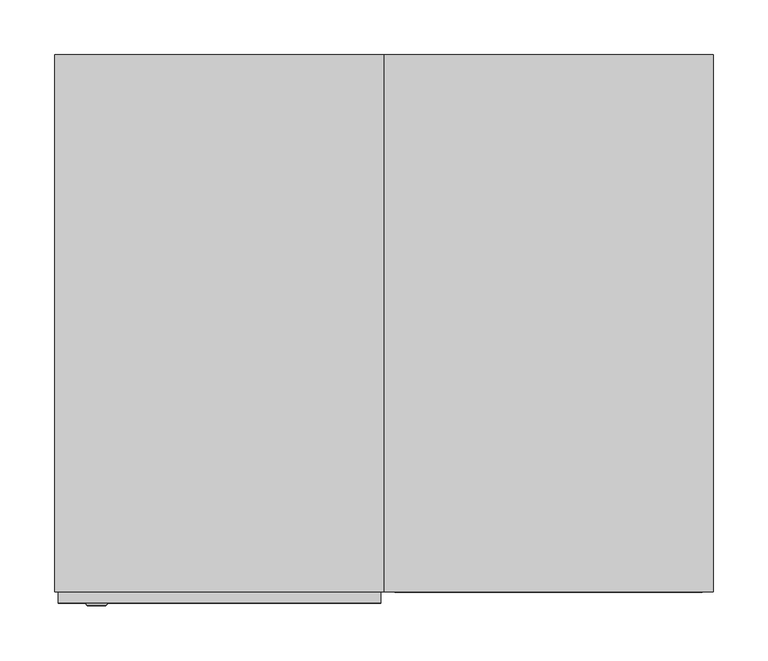
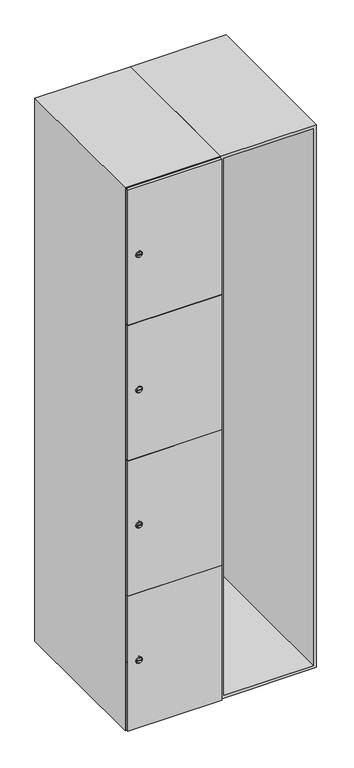
"""IFC4 building model written with IfcOpenShell, lengths in millimetres: furniture geometry."""

from ifc_helpers import new_model, si_unit, point, frame, frame_2d, origin, place, context, project, spatial, polyline, circle_curve, trimmed, segment, composite_curve, outline, extrude, faceted_brep, source, transform, mapped, element, save
from ifc_brep_helpers import plane_surface, revolved_surface, advanced_brep


def furniture_a75e1b9f(model_context):
    return source(origin(), model_context, "Body", "SolidModel", [
        faceted_brep([(400.0, -245.0, 100.0), (400.0, -245.0, 1900.0), (100.0, -245.0, 1900.0), (100.0, -245.0, 100.0), (390.0, -245.0, 1890.0), (390.0, -245.0, 110.0), (110.0, -245.0, 110.0), (110.0, -245.0, 1890.0), (400.0, 245.0, 100.0), (100.0, 245.0, 100.0), (400.0, 245.0, 1900.0), (100.0, 245.0, 1900.0), (390.0, 241.0, 1890.0), (390.0, 241.0, 110.0), (100.0, 245.0, 1890.0), (110.0, 241.0, 1890.0), (110.0, 241.0, 110.0)], [[[0, 1, 2, 3], [4, 5, 6, 7]], [[8, 0, 3, 9]], [[1, 0, 8, 10]], [[1, 10, 11, 2]], [[4, 12, 13, 5]], [[9, 3, 2, 11, 14]], [[10, 8, 9, 14, 11]], [[12, 15, 16, 13]], [[15, 7, 6, 16]], [[4, 7, 15, 12]], [[6, 5, 13, 16]]]),
        extrude(outline(composite_curve([segment(trimmed(circle_curve(frame_2d((327.25, -188.7989466)), 7.0), [point((334.25, -188.7989466))], [point((320.25, -188.7989466))], False, "CARTESIAN"), True, "CONTINUOUS"), segment(polyline([(320.25, -188.7989466), (320.25, -160.7989466)]), True, "CONTINUOUS"), segment(trimmed(circle_curve(frame_2d((327.25, -160.7989466)), 7.0), [point((320.25, -160.7989466))], [point((334.25, -160.7989466))], False, "CARTESIAN"), True, "CONTINUOUS"), segment(polyline([(334.25, -160.7989466), (334.25, -188.7989466)]), True, "CONTINUOUS")], self_intersect=False)), frame((0.0, -245.0, 0.0), z_axis=(0.0, 1.0, 0.0), x_axis=(0.0, 0.0, 1.0)), (0.0, 0.0, 1.0), 2.0),
        advanced_brep(
        [(-153.5, -257.2, 327.25), (-170.5, -257.2, 327.25), (-167.0, -257.2, 326.0), (-167.0, -257.2, 328.5), (-157.0, -257.2, 328.5), (-157.0, -257.2, 326.0), (-151.5, -255.0, 327.25), (-172.5, -255.0, 327.25), (-167.0, -255.0, 328.5), (-167.0, -255.0, 326.0), (-157.0, -255.0, 326.0), (-157.0, -255.0, 328.5)],
        [
            (0, 1, circle_curve(frame((-162.0, -257.2, 327.25), z_axis=(0.0, -1.0, 0.0), x_axis=(1.0, 0.0, 0.0)), 8.5)),
            (1, 0, circle_curve(frame((-162.0, -257.2, 327.25), z_axis=(0.0, -1.0, 0.0), x_axis=(-1.0, 0.0, 0.0)), 8.5)),
            (2, 3),
            (3, 4),
            (4, 5),
            (5, 2),
            (6, 7, circle_curve(frame((-162.0, -255.0, 327.25), z_axis=(0.0, 1.0, 0.0), x_axis=(-1.0, 0.0, 0.0)), 10.5)),
            (7, 6, circle_curve(frame((-162.0, -255.0, 327.25), z_axis=(0.0, 1.0, 0.0), x_axis=(1.0, 0.0, 0.0)), 10.5)),
            (8, 9),
            (9, 10),
            (10, 11),
            (11, 8),
            (0, 6),
            (7, 1),
            (8, 3),
            (2, 9),
            (11, 4),
            (10, 5),
        ],
        [
            plane_surface(frame((-162.0, -257.2, 327.25), z_axis=(0.0, -1.0, 0.0), x_axis=(0.0, 0.0, 1.0))),
            plane_surface(frame((-162.0, -255.0, 327.25), z_axis=(0.0, 1.0, 0.0), x_axis=(0.0, 0.0, 1.0))),
            revolved_surface(polyline([(-153.5, -257.2, 327.25), (-151.5, -255.0, 327.25)]), (-162.0, -266.55, 327.25), (0.0, 1.0, 0.0)),
            revolved_surface(polyline([(-170.5, -257.2, 327.25), (-172.5, -255.0, 327.25)]), (-162.0, -266.55, 327.25), (0.0, 1.0, 0.0)),
            plane_surface(frame((-167.0, -255.0, 326.0), z_axis=(1.0, 0.0, 0.0), x_axis=(0.0, -1.0, 0.0))),
            plane_surface(frame((-167.0, -255.0, 328.5), z_axis=(0.0, 0.0, -1.0), x_axis=(0.0, -1.0, 0.0))),
            plane_surface(frame((-157.0, -255.0, 328.5), z_axis=(-1.0, 0.0, 0.0), x_axis=(0.0, -1.0, 0.0))),
            plane_surface(frame((-157.0, -255.0, 326.0), z_axis=(0.0, 0.0, 1.0), x_axis=(0.0, -1.0, 0.0))),
        ],
        [
            (0, [[1, 2], [3, 4, 5, 6]]),
            (1, [[7, 8], [9, 10, 11, 12]]),
            (2, [[-1, 13, -8, 14]]),
            (3, [[-2, -14, -7, -13]]),
            (4, [[15, -3, 16, -9]]),
            (5, [[-15, -12, 17, -4]]),
            (6, [[-17, -11, 18, -5]]),
            (7, [[-16, -6, -18, -10]]),
        ],
    ),
        extrude(outline(composite_curve([segment(trimmed(circle_curve(frame_2d((775.75, -188.7989466)), 7.0), [point((782.75, -188.7989466))], [point((768.75, -188.7989466))], False, "CARTESIAN"), True, "CONTINUOUS"), segment(polyline([(768.75, -188.7989466), (768.75, -160.7989466)]), True, "CONTINUOUS"), segment(trimmed(circle_curve(frame_2d((775.75, -160.7989466)), 7.0), [point((768.75, -160.7989466))], [point((782.75, -160.7989466))], False, "CARTESIAN"), True, "CONTINUOUS"), segment(polyline([(782.75, -160.7989466), (782.75, -188.7989466)]), True, "CONTINUOUS")], self_intersect=False)), frame((0.0, -245.0, 0.0), z_axis=(0.0, 1.0, 0.0), x_axis=(0.0, 0.0, 1.0)), (0.0, 0.0, 1.0), 2.0),
        advanced_brep(
        [(-153.5, -257.2, 775.75), (-170.5, -257.2, 775.75), (-167.0, -257.2, 774.5), (-167.0, -257.2, 777.0), (-157.0, -257.2, 777.0), (-157.0, -257.2, 774.5), (-151.5, -255.0, 775.75), (-172.5, -255.0, 775.75), (-167.0, -255.0, 777.0), (-167.0, -255.0, 774.5), (-157.0, -255.0, 774.5), (-157.0, -255.0, 777.0)],
        [
            (0, 1, circle_curve(frame((-162.0, -257.2, 775.75), z_axis=(0.0, -1.0, 0.0), x_axis=(1.0, 0.0, 0.0)), 8.5)),
            (1, 0, circle_curve(frame((-162.0, -257.2, 775.75), z_axis=(0.0, -1.0, 0.0), x_axis=(-1.0, 0.0, 0.0)), 8.5)),
            (2, 3),
            (3, 4),
            (4, 5),
            (5, 2),
            (6, 7, circle_curve(frame((-162.0, -255.0, 775.75), z_axis=(0.0, 1.0, 0.0), x_axis=(-1.0, 0.0, 0.0)), 10.5)),
            (7, 6, circle_curve(frame((-162.0, -255.0, 775.75), z_axis=(0.0, 1.0, 0.0), x_axis=(1.0, 0.0, 0.0)), 10.5)),
            (8, 9),
            (9, 10),
            (10, 11),
            (11, 8),
            (0, 6),
            (7, 1),
            (8, 3),
            (2, 9),
            (11, 4),
            (10, 5),
        ],
        [
            plane_surface(frame((-162.0, -257.2, 775.75), z_axis=(0.0, -1.0, 0.0), x_axis=(0.0, 0.0, 1.0))),
            plane_surface(frame((-162.0, -255.0, 775.75), z_axis=(0.0, 1.0, 0.0), x_axis=(0.0, 0.0, 1.0))),
            revolved_surface(polyline([(-153.5, -257.2, 775.75), (-151.5, -255.0, 775.75)]), (-162.0, -266.55, 775.75), (0.0, 1.0, 0.0)),
            revolved_surface(polyline([(-170.5, -257.2, 775.75), (-172.5, -255.0, 775.75)]), (-162.0, -266.55, 775.75), (0.0, 1.0, 0.0)),
            plane_surface(frame((-167.0, -255.0, 774.5), z_axis=(1.0, 0.0, 0.0), x_axis=(0.0, -1.0, 0.0))),
            plane_surface(frame((-167.0, -255.0, 777.0), z_axis=(0.0, 0.0, -1.0), x_axis=(0.0, -1.0, 0.0))),
            plane_surface(frame((-157.0, -255.0, 777.0), z_axis=(-1.0, 0.0, 0.0), x_axis=(0.0, -1.0, 0.0))),
            plane_surface(frame((-157.0, -255.0, 774.5), z_axis=(0.0, 0.0, 1.0), x_axis=(0.0, -1.0, 0.0))),
        ],
        [
            (0, [[1, 2], [3, 4, 5, 6]]),
            (1, [[7, 8], [9, 10, 11, 12]]),
            (2, [[-1, 13, -8, 14]]),
            (3, [[-2, -14, -7, -13]]),
            (4, [[15, -3, 16, -9]]),
            (5, [[-15, -12, 17, -4]]),
            (6, [[-17, -11, 18, -5]]),
            (7, [[-16, -6, -18, -10]]),
        ],
    ),
        extrude(outline(composite_curve([segment(trimmed(circle_curve(frame_2d((1224.25, -188.7989466)), 7.0), [point((1231.25, -188.7989466))], [point((1217.25, -188.7989466))], False, "CARTESIAN"), True, "CONTINUOUS"), segment(polyline([(1217.25, -188.7989466), (1217.25, -160.7989466)]), True, "CONTINUOUS"), segment(trimmed(circle_curve(frame_2d((1224.25, -160.7989466)), 7.0), [point((1217.25, -160.7989466))], [point((1231.25, -160.7989466))], False, "CARTESIAN"), True, "CONTINUOUS"), segment(polyline([(1231.25, -160.7989466), (1231.25, -188.7989466)]), True, "CONTINUOUS")], self_intersect=False)), frame((0.0, -245.0, 0.0), z_axis=(0.0, 1.0, 0.0), x_axis=(0.0, 0.0, 1.0)), (0.0, 0.0, 1.0), 2.0),
        advanced_brep(
        [(-153.5, -257.2, 1224.25), (-170.5, -257.2, 1224.25), (-167.0, -257.2, 1223.0), (-167.0, -257.2, 1225.5), (-157.0, -257.2, 1225.5), (-157.0, -257.2, 1223.0), (-151.5, -255.0, 1224.25), (-172.5, -255.0, 1224.25), (-167.0, -255.0, 1225.5), (-167.0, -255.0, 1223.0), (-157.0, -255.0, 1223.0), (-157.0, -255.0, 1225.5)],
        [
            (0, 1, circle_curve(frame((-162.0, -257.2, 1224.25), z_axis=(0.0, -1.0, 0.0), x_axis=(1.0, 0.0, 0.0)), 8.5)),
            (1, 0, circle_curve(frame((-162.0, -257.2, 1224.25), z_axis=(0.0, -1.0, 0.0), x_axis=(-1.0, 0.0, 0.0)), 8.5)),
            (2, 3),
            (3, 4),
            (4, 5),
            (5, 2),
            (6, 7, circle_curve(frame((-162.0, -255.0, 1224.25), z_axis=(0.0, 1.0, 0.0), x_axis=(-1.0, 0.0, 0.0)), 10.5)),
            (7, 6, circle_curve(frame((-162.0, -255.0, 1224.25), z_axis=(0.0, 1.0, 0.0), x_axis=(1.0, 0.0, 0.0)), 10.5)),
            (8, 9),
            (9, 10),
            (10, 11),
            (11, 8),
            (0, 6),
            (7, 1),
            (8, 3),
            (2, 9),
            (11, 4),
            (10, 5),
        ],
        [
            plane_surface(frame((-162.0, -257.2, 1224.25), z_axis=(0.0, -1.0, 0.0), x_axis=(0.0, 0.0, 1.0))),
            plane_surface(frame((-162.0, -255.0, 1224.25), z_axis=(0.0, 1.0, 0.0), x_axis=(0.0, 0.0, 1.0))),
            revolved_surface(polyline([(-153.5, -257.2, 1224.25), (-151.5, -255.0, 1224.25)]), (-162.0, -266.55, 1224.25), (0.0, 1.0, 0.0)),
            revolved_surface(polyline([(-170.5, -257.2, 1224.25), (-172.5, -255.0, 1224.25)]), (-162.0, -266.55, 1224.25), (0.0, 1.0, 0.0)),
            plane_surface(frame((-167.0, -255.0, 1223.0), z_axis=(1.0, 0.0, 0.0), x_axis=(0.0, -1.0, 0.0))),
            plane_surface(frame((-167.0, -255.0, 1225.5), z_axis=(0.0, 0.0, -1.0), x_axis=(0.0, -1.0, 0.0))),
            plane_surface(frame((-157.0, -255.0, 1225.5), z_axis=(-1.0, 0.0, 0.0), x_axis=(0.0, -1.0, 0.0))),
            plane_surface(frame((-157.0, -255.0, 1223.0), z_axis=(0.0, 0.0, 1.0), x_axis=(0.0, -1.0, 0.0))),
        ],
        [
            (0, [[1, 2], [3, 4, 5, 6]]),
            (1, [[7, 8], [9, 10, 11, 12]]),
            (2, [[-1, 13, -8, 14]]),
            (3, [[-2, -14, -7, -13]]),
            (4, [[15, -3, 16, -9]]),
            (5, [[-15, -12, 17, -4]]),
            (6, [[-17, -11, 18, -5]]),
            (7, [[-16, -6, -18, -10]]),
        ],
    ),
        extrude(outline(composite_curve([segment(trimmed(circle_curve(frame_2d((1672.75, -188.7989466)), 7.0), [point((1679.75, -188.7989466))], [point((1665.75, -188.7989466))], False, "CARTESIAN"), True, "CONTINUOUS"), segment(polyline([(1665.75, -188.7989466), (1665.75, -160.7989466)]), True, "CONTINUOUS"), segment(trimmed(circle_curve(frame_2d((1672.75, -160.7989466)), 7.0), [point((1665.75, -160.7989466))], [point((1679.75, -160.7989466))], False, "CARTESIAN"), True, "CONTINUOUS"), segment(polyline([(1679.75, -160.7989466), (1679.75, -188.7989466)]), True, "CONTINUOUS")], self_intersect=False)), frame((0.0, -245.0, 0.0), z_axis=(0.0, 1.0, 0.0), x_axis=(0.0, 0.0, 1.0)), (0.0, 0.0, 1.0), 2.0),
        advanced_brep(
        [(-153.5, -257.2, 1672.75), (-170.5, -257.2, 1672.75), (-167.0, -257.2, 1671.5), (-167.0, -257.2, 1674.0), (-157.0, -257.2, 1674.0), (-157.0, -257.2, 1671.5), (-151.5, -255.0, 1672.75), (-172.5, -255.0, 1672.75), (-167.0, -255.0, 1674.0), (-167.0, -255.0, 1671.5), (-157.0, -255.0, 1671.5), (-157.0, -255.0, 1674.0)],
        [
            (0, 1, circle_curve(frame((-162.0, -257.2, 1672.75), z_axis=(0.0, -1.0, 0.0), x_axis=(1.0, 0.0, 0.0)), 8.5)),
            (1, 0, circle_curve(frame((-162.0, -257.2, 1672.75), z_axis=(0.0, -1.0, 0.0), x_axis=(-1.0, 0.0, 0.0)), 8.5)),
            (2, 3),
            (3, 4),
            (4, 5),
            (5, 2),
            (6, 7, circle_curve(frame((-162.0, -255.0, 1672.75), z_axis=(0.0, 1.0, 0.0), x_axis=(-1.0, 0.0, 0.0)), 10.5)),
            (7, 6, circle_curve(frame((-162.0, -255.0, 1672.75), z_axis=(0.0, 1.0, 0.0), x_axis=(1.0, 0.0, 0.0)), 10.5)),
            (8, 9),
            (9, 10),
            (10, 11),
            (11, 8),
            (0, 6),
            (7, 1),
            (8, 3),
            (2, 9),
            (11, 4),
            (10, 5),
        ],
        [
            plane_surface(frame((-162.0, -257.2, 1672.75), z_axis=(0.0, -1.0, 0.0), x_axis=(0.0, 0.0, 1.0))),
            plane_surface(frame((-162.0, -255.0, 1672.75), z_axis=(0.0, 1.0, 0.0), x_axis=(0.0, 0.0, 1.0))),
            revolved_surface(polyline([(-153.5, -257.2, 1672.75), (-151.5, -255.0, 1672.75)]), (-162.0, -266.55, 1672.75), (0.0, 1.0, 0.0)),
            revolved_surface(polyline([(-170.5, -257.2, 1672.75), (-172.5, -255.0, 1672.75)]), (-162.0, -266.55, 1672.75), (0.0, 1.0, 0.0)),
            plane_surface(frame((-167.0, -255.0, 1671.5), z_axis=(1.0, 0.0, 0.0), x_axis=(0.0, -1.0, 0.0))),
            plane_surface(frame((-167.0, -255.0, 1674.0), z_axis=(0.0, 0.0, -1.0), x_axis=(0.0, -1.0, 0.0))),
            plane_surface(frame((-157.0, -255.0, 1674.0), z_axis=(-1.0, 0.0, 0.0), x_axis=(0.0, -1.0, 0.0))),
            plane_surface(frame((-157.0, -255.0, 1671.5), z_axis=(0.0, 0.0, 1.0), x_axis=(0.0, -1.0, 0.0))),
        ],
        [
            (0, [[1, 2], [3, 4, 5, 6]]),
            (1, [[7, 8], [9, 10, 11, 12]]),
            (2, [[-1, 13, -8, 14]]),
            (3, [[-2, -14, -7, -13]]),
            (4, [[15, -3, 16, -9]]),
            (5, [[-15, -12, 17, -4]]),
            (6, [[-17, -11, 18, -5]]),
            (7, [[-16, -6, -18, -10]]),
        ],
    ),
        extrude(outline(polyline([(97.0, -245.0), (97.0, -255.0), (-197.0, -255.0), (-197.0, -245.0), (97.0, -245.0)])), frame((0.0, 0.0, 551.0), z_axis=(0.0, 0.0, 1.0), x_axis=(1.0, 0.0, 0.0)), (0.0, 0.0, 1.0), 448.5),
        extrude(outline(polyline([(97.0, -245.0), (97.0, -255.0), (-197.0, -255.0), (-197.0, -245.0), (97.0, -245.0)])), frame((0.0, 0.0, 1000.5), z_axis=(0.0, 0.0, 1.0), x_axis=(1.0, 0.0, 0.0)), (0.0, 0.0, 1.0), 447.5),
        extrude(outline(polyline([(-197.0, -255.0), (-197.0, -245.0), (97.0, -245.0), (97.0, -255.0), (-197.0, -255.0)])), frame((0.0, 0.0, 1449.0), z_axis=(0.0, 0.0, 1.0), x_axis=(1.0, 0.0, 0.0)), (0.0, 0.0, 1.0), 448.0),
        extrude(outline(polyline([(97.0, -245.0), (97.0, -255.0), (-197.0, -255.0), (-197.0, -245.0), (97.0, -245.0)])), frame((0.0, 0.0, 103.0), z_axis=(0.0, 0.0, 1.0), x_axis=(1.0, 0.0, 0.0)), (0.0, 0.0, 1.0), 449.0),
        extrude(outline(polyline([(90.0, 241.0), (90.0, -235.0), (-190.0, -235.0), (-190.0, 241.0), (90.0, 241.0)])), frame((0.0, 0.0, 1440.0), z_axis=(0.0, 0.0, 1.0), x_axis=(1.0, 0.0, 0.0)), (0.0, 0.0, 1.0), 10.0),
        extrude(outline(polyline([(90.0, 241.0), (90.0, -235.0), (-190.0, -235.0), (-190.0, 241.0), (90.0, 241.0)])), frame((0.0, 0.0, 995.0), z_axis=(0.0, 0.0, 1.0), x_axis=(1.0, 0.0, 0.0)), (0.0, 0.0, 1.0), 10.0),
        extrude(outline(polyline([(90.0, 241.0), (90.0, -235.0), (-190.0, -235.0), (-190.0, 241.0), (90.0, 241.0)])), frame((0.0, 0.0, 550.0), z_axis=(0.0, 0.0, 1.0), x_axis=(1.0, 0.0, 0.0)), (0.0, 0.0, 1.0), 10.0),
        faceted_brep([(100.0, -245.0, 100.0), (100.0, -245.0, 1900.0), (-200.0, -245.0, 1900.0), (-200.0, -245.0, 100.0), (90.0, -245.0, 1890.0), (90.0, -245.0, 110.0), (-190.0, -245.0, 110.0), (-190.0, -245.0, 1890.0), (100.0, 245.0, 100.0), (-200.0, 245.0, 100.0), (100.0, 245.0, 1900.0), (-200.0, 245.0, 1900.0), (90.0, 241.0, 1890.0), (90.0, 241.0, 110.0), (-200.0, 245.0, 1890.0), (-190.0, 241.0, 1890.0), (-190.0, 241.0, 110.0)], [[[0, 1, 2, 3], [4, 5, 6, 7]], [[8, 0, 3, 9]], [[1, 0, 8, 10]], [[1, 10, 11, 2]], [[4, 12, 13, 5]], [[9, 3, 2, 11, 14]], [[10, 8, 9, 14, 11]], [[12, 15, 16, 13]], [[15, 7, 6, 16]], [[4, 7, 15, 12]], [[6, 5, 13, 16]]]),
    ])


if __name__ == "__main__":
    model = new_model("IFC4")
    model_context = context("Model", 3, world=origin())
    ifc_project = project(units=[si_unit("LENGTHUNIT", "METRE", prefix="MILLI")], contexts=[model_context])
    site = spatial("IfcSite", under=ifc_project)
    building = spatial("IfcBuilding", under=site)
    placement = place(None, origin())
    furniture_shape = furniture_a75e1b9f(model_context)
    element("IfcFurniture", 1, at=placement, inside=building, context=model_context, shape_type="MappedRepresentation", body=[
        mapped(furniture_shape, transform((0.0, 0.0, 0.0), x_axis=(1.0, 0.0, 0.0), y_axis=(0.0, 1.0, 0.0), z_axis=(0.0, 0.0, 1.0))),
    ])
    save(model, "model.ifc")
